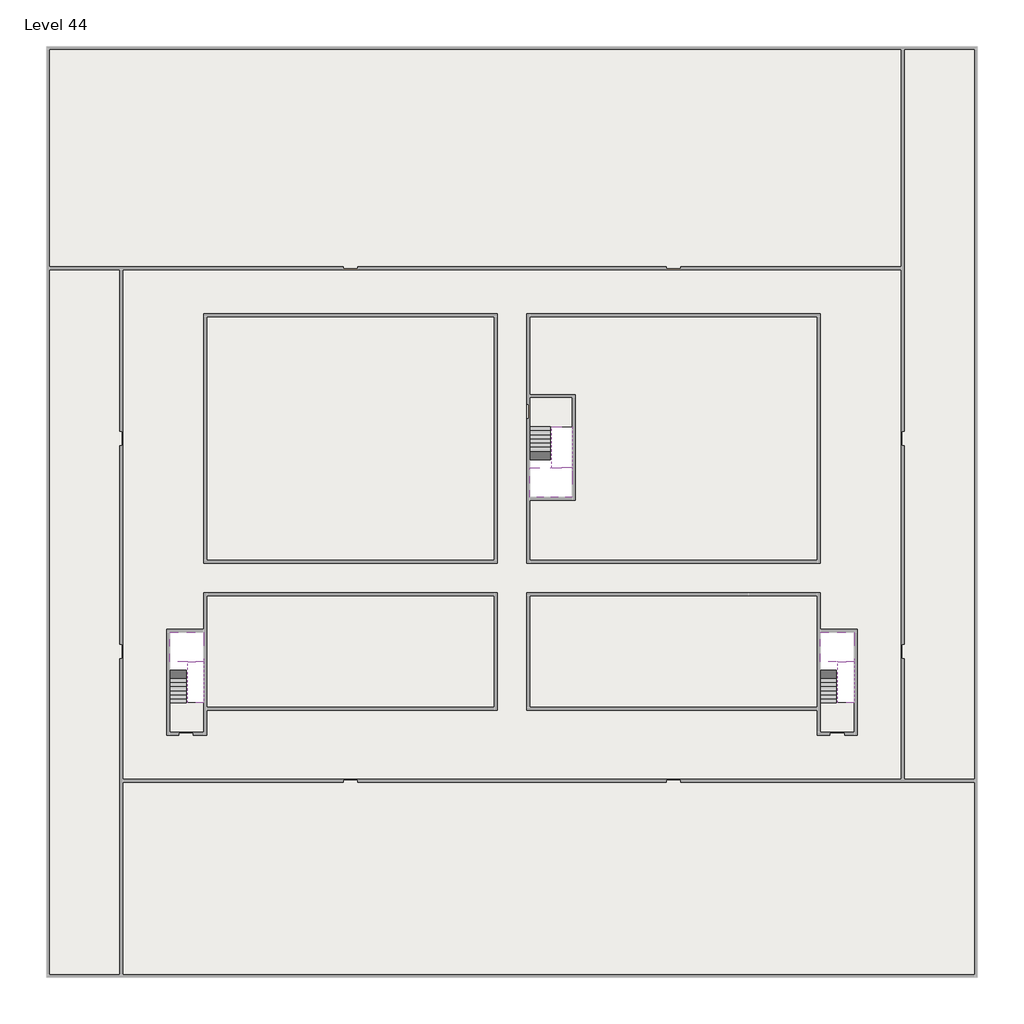
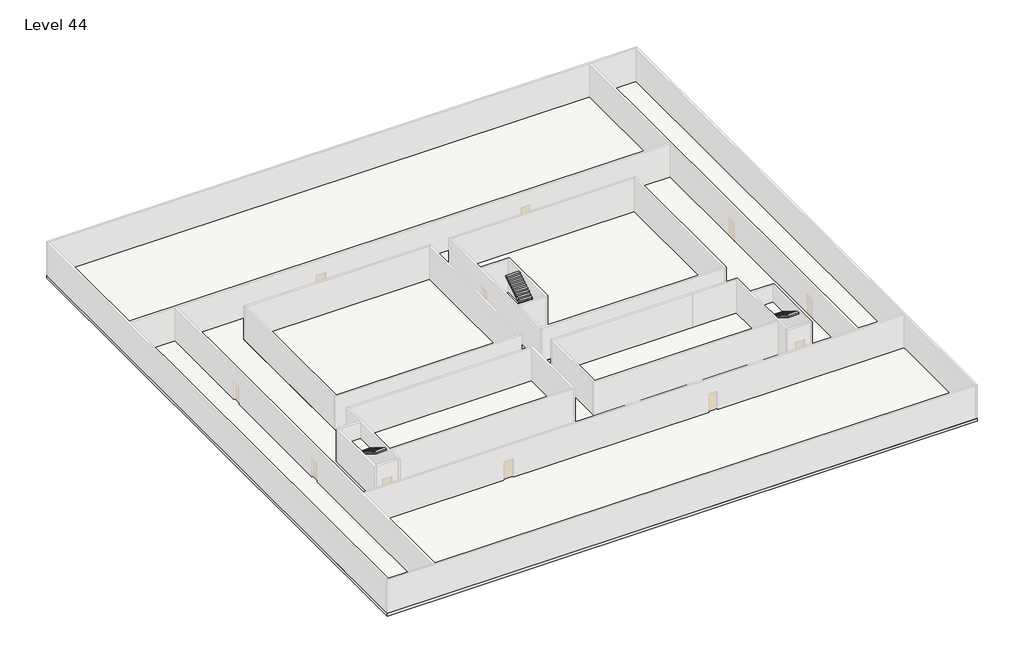
# One storey, part 2 of 2: 6 slabs, 6 stair flights.
"""IFC4 building model written with IfcOpenShell, lengths in millimetres."""

from ifc_helpers import new_model, si_unit, frame, origin, place, context, project, spatial, polyline, outline, extrude, faceted_brep, element, save

model = new_model("IFC4")

# Units and contexts
model_context = context("Model", 3, world=origin())
ifc_project = project(units=[si_unit("LENGTHUNIT", "METRE", prefix="MILLI")], contexts=[model_context])

# Site, building, storey
site = spatial("IfcSite", under=ifc_project)
building = spatial("IfcBuilding", under=site)
storey = spatial("IfcBuildingStorey", under=building, Name="Level 44", Elevation=163400.0)

# Slabs
placement = place(None, origin())
element("IfcSlab", 1, at=placement, inside=storey, context=model_context, shape_type="SweptSolid", body=[
    extrude(outline(polyline([(55890.1058784, -5518.09644), (55890.1058784, -68918.09644), (-7509.8941216, -68918.09644), (-7509.8941216, -5518.09644), (55890.1058784, -5518.09644)]), holes=[polyline([(23190.1058784, -23718.09644), (3190.1058784, -23718.09644), (3190.1058784, -40718.09644), (23190.1058784, -40718.09644), (23190.1058784, -23718.09644)]), polyline([(45190.1058784, -23718.09644), (25190.1058784, -23718.09644), (25190.1058784, -40718.09644), (45190.1058784, -40718.09644), (45190.1058784, -23718.09644)]), polyline([(23190.1058784, -42718.09644), (3390.1058784, -42718.09644), (3390.1058784, -45418.09644), (890.1058784, -45418.09644), (890.1058784, -52218.09644), (3190.1058784, -52218.09644), (3190.1058784, -50718.09644), (23190.1058784, -50718.09644), (23190.1058784, -42718.09644)]), polyline([(44990.1058784, -42718.09644), (25190.1058784, -42718.09644), (25190.1058784, -50718.09644), (45190.1058784, -50718.09644), (45190.1058784, -52218.09644), (47490.1058784, -52218.09644), (47490.1058784, -45418.09644), (44990.1058784, -45418.09644), (44990.1058784, -42718.09644)])]), frame((0.0, 0.0, 163100.0), z_axis=(0.0, 0.0, 1.0), x_axis=(1.0, 0.0, 0.0)), (0.0, 0.0, 1.0), 300.0),
])
element("IfcSlab", 2, at=placement, inside=storey, context=model_context, shape_type="Brep", body=[
    faceted_brep([(26790.1058784, -34218.09644, 165300.0), (25390.1058784, -34218.09644, 165300.0), (25390.1058784, -34297.4828763, 165300.0), (25390.1058784, -36218.09644, 165300.0), (28290.1058784, -36218.09644, 165300.0), (28290.1058784, -34418.7100038, 165300.0), (28290.1058784, -34218.09644, 165300.0), (26890.1058784, -34218.09644, 165300.0), (26790.1058784, -34218.09644, 165000.0), (26790.1058784, -34218.09644, 164951.0278478), (25390.1058784, -34218.09644, 164951.0278478), (25390.1058784, -34218.09644, 165127.2727273), (25390.1058784, -34297.4828763, 165000.0), (25390.1058784, -36218.09644, 165000.0), (28290.1058784, -36218.09644, 165000.0), (28290.1058784, -34418.7100038, 165000.0), (28290.1058784, -34218.09644, 165123.7551205), (26890.1058784, -34218.09644, 165123.7551205), (26890.1058784, -34218.09644, 165000.0), (26890.1058784, -34418.7100038, 165000.0), (26790.1058784, -34297.4828763, 165000.0)], [[[0, 1, 2, 3, 4, 5, 6, 7]], [[1, 0, 8, 9, 10, 11]], [[1, 11, 10, 12, 13, 3, 2]], [[4, 3, 13, 14]], [[4, 14, 15, 16, 6, 5]], [[7, 6, 16, 17]], [[0, 7, 17, 18, 8]], [[18, 19, 15, 14, 13, 12, 20, 8]], [[19, 18, 17]], [[20, 12, 10, 9]], [[8, 20, 9]], [[15, 19, 17, 16]]]),
])
element("IfcSlab", 3, at=placement, inside=storey, context=model_context, shape_type="Brep", body=[
    faceted_brep([(45190.1058784, -47418.09644, 165300.0), (46290.1058784, -47418.09644, 165300.0), (46390.1058784, -47418.09644, 165300.0), (47490.1058784, -47418.09644, 165300.0), (47490.1058784, -47217.4828763, 165300.0), (47490.1058784, -45418.09644, 165300.0), (45190.1058784, -45418.09644, 165300.0), (45190.1058784, -47338.7100038, 165300.0), (45190.1058784, -47418.09644, 165127.2727273), (45190.1058784, -47418.09644, 164951.0278478), (46290.1058784, -47418.09644, 164951.0278478), (46290.1058784, -47418.09644, 165000.0), (46390.1058784, -47418.09644, 165000.0), (46390.1058784, -47418.09644, 165123.7551205), (47490.1058784, -47418.09644, 165123.7551205), (47490.1058784, -47217.4828763, 165000.0), (47490.1058784, -45418.09644, 165000.0), (45190.1058784, -45418.09644, 165000.0), (45190.1058784, -47338.7100038, 165000.0), (46390.1058784, -47217.4828763, 165000.0), (46290.1058784, -47338.7100038, 165000.0)], [[[0, 1, 2, 3, 4, 5, 6, 7]], [[1, 0, 8, 9, 10, 11]], [[2, 1, 11, 12, 13]], [[3, 2, 13, 14]], [[3, 14, 15, 16, 5, 4]], [[6, 5, 16, 17]], [[9, 8, 0, 7, 6, 17, 18]], [[19, 12, 11, 20, 18, 17, 16, 15]], [[12, 19, 13]], [[18, 20, 10, 9]], [[20, 11, 10]], [[19, 15, 14, 13]]]),
])
element("IfcSlab", 4, at=placement, inside=storey, context=model_context, shape_type="Brep", body=[
    faceted_brep([(890.1058784, -47418.09644, 165300.0), (1990.1058784, -47418.09644, 165300.0), (2090.1058784, -47418.09644, 165300.0), (3190.1058784, -47418.09644, 165300.0), (3190.1058784, -47217.4828763, 165300.0), (3190.1058784, -45418.09644, 165300.0), (890.1058784, -45418.09644, 165300.0), (890.1058784, -47338.7100038, 165300.0), (890.1058784, -47418.09644, 165127.2727273), (890.1058784, -47418.09644, 164951.0278478), (1990.1058784, -47418.09644, 164951.0278478), (1990.1058784, -47418.09644, 165000.0), (2090.1058784, -47418.09644, 165000.0), (2090.1058784, -47418.09644, 165123.7551205), (3190.1058784, -47418.09644, 165123.7551205), (3190.1058784, -47217.4828763, 165000.0), (3190.1058784, -45418.09644, 165000.0), (890.1058784, -45418.09644, 165000.0), (890.1058784, -47338.7100038, 165000.0), (2090.1058784, -47217.4828763, 165000.0), (1990.1058784, -47338.7100038, 165000.0)], [[[0, 1, 2, 3, 4, 5, 6, 7]], [[1, 0, 8, 9, 10, 11]], [[2, 1, 11, 12, 13]], [[3, 2, 13, 14]], [[3, 14, 15, 16, 5, 4]], [[6, 5, 16, 17]], [[9, 8, 0, 7, 6, 17, 18]], [[19, 12, 11, 20, 18, 17, 16, 15]], [[12, 19, 13]], [[18, 20, 10, 9]], [[20, 11, 10]], [[19, 15, 14, 13]]]),
])
element("IfcSlab", 5, at=placement, inside=storey, context=model_context, shape_type="SweptSolid", body=[
    extrude(outline(polyline([(22990.1058784, -23918.09644), (22990.1058784, -40518.09644), (3390.1058784, -40518.09644), (3390.1058784, -23918.09644), (22990.1058784, -23918.09644)])), frame((0.0, 0.0, 163100.0), z_axis=(0.0, 0.0, 1.0), x_axis=(1.0, 0.0, 0.0)), (0.0, 0.0, 1.0), 300.0),
    extrude(outline(polyline([(44990.1058784, -23918.09644), (44990.1058784, -40518.09644), (25390.1058784, -40518.09644), (25390.1058784, -36418.09644), (28490.1058784, -36418.09644), (28490.1058784, -29218.09644), (25390.1058784, -29218.09644), (25390.1058784, -23918.09644), (44990.1058784, -23918.09644)])), frame((0.0, 0.0, 163100.0), z_axis=(0.0, 0.0, 1.0), x_axis=(1.0, 0.0, 0.0)), (0.0, 0.0, 1.0), 300.0),
    extrude(outline(polyline([(22990.1058784, -42918.09644), (22990.1058784, -50518.09644), (3390.1058784, -50518.09644), (3390.1058784, -42918.09644), (22990.1058784, -42918.09644)])), frame((0.0, 0.0, 163100.0), z_axis=(0.0, 0.0, 1.0), x_axis=(1.0, 0.0, 0.0)), (0.0, 0.0, 1.0), 300.0),
    extrude(outline(polyline([(44990.1058784, -42918.09644), (44990.1058784, -50518.09644), (25390.1058784, -50518.09644), (25390.1058784, -42918.09644), (44990.1058784, -42918.09644)])), frame((0.0, 0.0, 163100.0), z_axis=(0.0, 0.0, 1.0), x_axis=(1.0, 0.0, 0.0)), (0.0, 0.0, 1.0), 300.0),
])
element("IfcSlab", 6, at=placement, inside=storey, context=model_context, shape_type="SweptSolid", body=[
    extrude(outline(polyline([(28290.1058784, -29418.09644), (28290.1058784, -31418.09644), (25190.1058784, -31418.09644), (25190.1058784, -29418.09644), (28290.1058784, -29418.09644)])), frame((0.0, 0.0, 163100.0), z_axis=(0.0, 0.0, 1.0), x_axis=(1.0, 0.0, 0.0)), (0.0, 0.0, 1.0), 300.0),
    extrude(outline(polyline([(3190.1058784, -50218.09644), (3190.1058784, -52218.09644), (890.1058784, -52218.09644), (890.1058784, -50218.09644), (3190.1058784, -50218.09644)])), frame((0.0, 0.0, 163100.0), z_axis=(0.0, 0.0, 1.0), x_axis=(1.0, 0.0, 0.0)), (0.0, 0.0, 1.0), 300.0),
    extrude(outline(polyline([(47490.1058784, -50218.09644), (47490.1058784, -52218.09644), (45190.1058784, -52218.09644), (45190.1058784, -50218.09644), (47490.1058784, -50218.09644)])), frame((0.0, 0.0, 163100.0), z_axis=(0.0, 0.0, 1.0), x_axis=(1.0, 0.0, 0.0)), (0.0, 0.0, 1.0), 300.0),
])

# Stair flights
element("IfcStairFlight", 7, at=placement, inside=storey, context=model_context, shape_type="Brep", body=[
    faceted_brep([(26790.1058784, -31698.09644, 163572.7272727), (26790.1058784, -31418.09644, 163572.7272727), (25390.1058784, -31418.09644, 163572.7272727), (25390.1058784, -31698.09644, 163572.7272727), (26790.1058784, -31698.09644, 163400.0), (26790.1058784, -31418.09644, 163400.0), (25390.1058784, -31418.09644, 163400.0), (25390.1058784, -31698.09644, 163400.0), (26790.1058784, -31978.09644, 163745.4545455), (26790.1058784, -31698.09644, 163745.4545455), (25390.1058784, -31698.09644, 163745.4545455), (25390.1058784, -31978.09644, 163745.4545455), (26790.1058784, -31978.09644, 163569.209666), (26790.1058784, -31703.7986657, 163400.0), (25390.1058784, -31703.7986657, 163400.0), (25390.1058784, -31978.09644, 163569.209666), (26790.1058784, -32258.09644, 163918.1818182), (26790.1058784, -31978.09644, 163918.1818182), (25390.1058784, -31978.09644, 163918.1818182), (25390.1058784, -32258.09644, 163918.1818182), (26790.1058784, -32258.09644, 163741.9369387), (25390.1058784, -32258.09644, 163741.9369387), (26790.1058784, -32538.09644, 164090.9090909), (26790.1058784, -32258.09644, 164090.9090909), (25390.1058784, -32258.09644, 164090.9090909), (25390.1058784, -32538.09644, 164090.9090909), (26790.1058784, -32538.09644, 163914.6642114), (25390.1058784, -32538.09644, 163914.6642114), (26790.1058784, -32818.09644, 164263.6363636), (26790.1058784, -32538.09644, 164263.6363636), (25390.1058784, -32538.09644, 164263.6363636), (25390.1058784, -32818.09644, 164263.6363636), (26790.1058784, -32818.09644, 164087.3914841), (25390.1058784, -32818.09644, 164087.3914841), (26790.1058784, -33098.09644, 164436.3636364), (26790.1058784, -32818.09644, 164436.3636364), (25390.1058784, -32818.09644, 164436.3636364), (25390.1058784, -33098.09644, 164436.3636364), (26790.1058784, -33098.09644, 164260.1187569), (25390.1058784, -33098.09644, 164260.1187569), (26790.1058784, -33378.09644, 164609.0909091), (26790.1058784, -33098.09644, 164609.0909091), (25390.1058784, -33098.09644, 164609.0909091), (25390.1058784, -33378.09644, 164609.0909091), (26790.1058784, -33378.09644, 164432.8460296), (25390.1058784, -33378.09644, 164432.8460296), (26790.1058784, -33658.09644, 164781.8181818), (26790.1058784, -33378.09644, 164781.8181818), (25390.1058784, -33378.09644, 164781.8181818), (25390.1058784, -33658.09644, 164781.8181818), (26790.1058784, -33658.09644, 164605.5733023), (25390.1058784, -33658.09644, 164605.5733023), (26790.1058784, -33938.09644, 164954.5454545), (26790.1058784, -33658.09644, 164954.5454545), (25390.1058784, -33658.09644, 164954.5454545), (25390.1058784, -33938.09644, 164954.5454545), (26790.1058784, -33938.09644, 164778.3005751), (25390.1058784, -33938.09644, 164778.3005751), (26790.1058784, -34218.09644, 165127.2727273), (26790.1058784, -33938.09644, 165127.2727273), (25390.1058784, -33938.09644, 165127.2727273), (25390.1058784, -34218.09644, 165127.2727273), (26790.1058784, -34218.09644, 165000.0), (26790.1058784, -34218.09644, 164951.0278478), (25390.1058784, -34218.09644, 164951.0278478)], [[[0, 1, 2, 3]], [[1, 0, 4, 5]], [[2, 1, 5, 6]], [[3, 2, 6, 7]], [[8, 9, 10, 11]], [[4, 0, 9, 8, 12, 13]], [[0, 3, 10, 9]], [[3, 7, 14, 15, 11, 10]], [[16, 17, 18, 19]], [[17, 16, 20, 12, 8]], [[8, 11, 18, 17]], [[19, 18, 11, 15, 21]], [[22, 23, 24, 25]], [[23, 22, 26, 20, 16]], [[16, 19, 24, 23]], [[25, 24, 19, 21, 27]], [[28, 29, 30, 31]], [[29, 28, 32, 26, 22]], [[22, 25, 30, 29]], [[31, 30, 25, 27, 33]], [[34, 35, 36, 37]], [[35, 34, 38, 32, 28]], [[28, 31, 36, 35]], [[37, 36, 31, 33, 39]], [[40, 41, 42, 43]], [[41, 40, 44, 38, 34]], [[34, 37, 42, 41]], [[43, 42, 37, 39, 45]], [[46, 47, 48, 49]], [[47, 46, 50, 44, 40]], [[40, 43, 48, 47]], [[49, 48, 43, 45, 51]], [[52, 53, 54, 55]], [[53, 52, 56, 50, 46]], [[46, 49, 54, 53]], [[55, 54, 49, 51, 57]], [[58, 59, 60, 61]], [[59, 58, 62, 63, 56, 52]], [[52, 55, 60, 59]], [[61, 60, 55, 57, 64]], [[58, 61, 64, 63, 62]], [[5, 4, 13, 14, 7, 6]], [[14, 13, 12, 20, 26, 32, 38, 44, 50, 56, 63, 64, 57, 51, 45, 39, 33, 27, 21, 15]]]),
])
element("IfcStairFlight", 8, at=placement, inside=storey, context=model_context, shape_type="Brep", body=[
    faceted_brep([(26890.1058784, -33938.09644, 165472.7272727), (26890.1058784, -34218.09644, 165472.7272727), (28290.1058784, -34218.09644, 165472.7272727), (28290.1058784, -33938.09644, 165472.7272727), (26890.1058784, -33938.09644, 165296.4823932), (26890.1058784, -34218.09644, 165123.7551205), (28290.1058784, -34218.09644, 165123.7551205), (28290.1058784, -34218.09644, 165300.0), (28290.1058784, -33938.09644, 165296.4823932), (26890.1058784, -33658.09644, 165645.4545455), (26890.1058784, -33938.09644, 165645.4545455), (28290.1058784, -33938.09644, 165645.4545455), (28290.1058784, -33658.09644, 165645.4545455), (26890.1058784, -33658.09644, 165469.209666), (28290.1058784, -33658.09644, 165469.209666), (26890.1058784, -33378.09644, 165818.1818182), (26890.1058784, -33658.09644, 165818.1818182), (28290.1058784, -33658.09644, 165818.1818182), (28290.1058784, -33378.09644, 165818.1818182), (26890.1058784, -33378.09644, 165641.9369387), (28290.1058784, -33378.09644, 165641.9369387), (26890.1058784, -33098.09644, 165990.9090909), (26890.1058784, -33378.09644, 165990.9090909), (28290.1058784, -33378.09644, 165990.9090909), (28290.1058784, -33098.09644, 165990.9090909), (26890.1058784, -33098.09644, 165814.6642114), (28290.1058784, -33098.09644, 165814.6642114), (26890.1058784, -32818.09644, 166163.6363636), (26890.1058784, -33098.09644, 166163.6363636), (28290.1058784, -33098.09644, 166163.6363636), (28290.1058784, -32818.09644, 166163.6363636), (26890.1058784, -32818.09644, 165987.3914841), (28290.1058784, -32818.09644, 165987.3914841), (26890.1058784, -32538.09644, 166336.3636364), (26890.1058784, -32818.09644, 166336.3636364), (28290.1058784, -32818.09644, 166336.3636364), (28290.1058784, -32538.09644, 166336.3636364), (26890.1058784, -32538.09644, 166160.1187569), (28290.1058784, -32538.09644, 166160.1187569), (26890.1058784, -32258.09644, 166509.0909091), (26890.1058784, -32538.09644, 166509.0909091), (28290.1058784, -32538.09644, 166509.0909091), (28290.1058784, -32258.09644, 166509.0909091), (26890.1058784, -32258.09644, 166332.8460296), (28290.1058784, -32258.09644, 166332.8460296), (26890.1058784, -31978.09644, 166681.8181818), (26890.1058784, -32258.09644, 166681.8181818), (28290.1058784, -32258.09644, 166681.8181818), (28290.1058784, -31978.09644, 166681.8181818), (26890.1058784, -31978.09644, 166505.5733023), (28290.1058784, -31978.09644, 166505.5733023), (26890.1058784, -31698.09644, 166854.5454545), (26890.1058784, -31978.09644, 166854.5454545), (28290.1058784, -31978.09644, 166854.5454545), (28290.1058784, -31698.09644, 166854.5454545), (26890.1058784, -31698.09644, 166678.3005751), (28290.1058784, -31698.09644, 166678.3005751), (26890.1058784, -31418.09644, 167027.2727273), (26890.1058784, -31698.09644, 167027.2727273), (28290.1058784, -31698.09644, 167027.2727273), (28290.1058784, -31418.09644, 167027.2727273), (26890.1058784, -31418.09644, 166851.0278478), (28290.1058784, -31418.09644, 166851.0278478)], [[[0, 1, 2, 3]], [[1, 0, 4, 5]], [[2, 1, 5, 6, 7]], [[3, 2, 7, 6, 8]], [[9, 10, 11, 12]], [[10, 9, 13, 4, 0]], [[11, 10, 0, 3]], [[12, 11, 3, 8, 14]], [[15, 16, 17, 18]], [[16, 15, 19, 13, 9]], [[17, 16, 9, 12]], [[18, 17, 12, 14, 20]], [[21, 22, 23, 24]], [[22, 21, 25, 19, 15]], [[23, 22, 15, 18]], [[24, 23, 18, 20, 26]], [[27, 28, 29, 30]], [[28, 27, 31, 25, 21]], [[29, 28, 21, 24]], [[30, 29, 24, 26, 32]], [[33, 34, 35, 36]], [[34, 33, 37, 31, 27]], [[35, 34, 27, 30]], [[36, 35, 30, 32, 38]], [[39, 40, 41, 42]], [[40, 39, 43, 37, 33]], [[41, 40, 33, 36]], [[42, 41, 36, 38, 44]], [[45, 46, 47, 48]], [[46, 45, 49, 43, 39]], [[47, 46, 39, 42]], [[48, 47, 42, 44, 50]], [[51, 52, 53, 54]], [[52, 51, 55, 49, 45]], [[53, 52, 45, 48]], [[54, 53, 48, 50, 56]], [[57, 58, 59, 60]], [[58, 57, 61, 55, 51]], [[59, 58, 51, 54]], [[60, 59, 54, 56, 62]], [[57, 60, 62, 61]], [[5, 4, 13, 19, 25, 31, 37, 43, 49, 55, 61, 62, 56, 50, 44, 38, 32, 26, 20, 14, 8, 6]]]),
])
element("IfcStairFlight", 9, at=placement, inside=storey, context=model_context, shape_type="Brep", body=[
    faceted_brep([(45190.1058784, -49938.09644, 163572.7272727), (45190.1058784, -50218.09644, 163572.7272727), (46290.1058784, -50218.09644, 163572.7272727), (46290.1058784, -49938.09644, 163572.7272727), (45190.1058784, -49938.09644, 163400.0), (45190.1058784, -50218.09644, 163400.0), (46290.1058784, -50218.09644, 163400.0), (46290.1058784, -49938.09644, 163400.0), (45190.1058784, -49658.09644, 163745.4545455), (45190.1058784, -49938.09644, 163745.4545455), (46290.1058784, -49938.09644, 163745.4545455), (46290.1058784, -49658.09644, 163745.4545455), (45190.1058784, -49658.09644, 163569.209666), (45190.1058784, -49932.3942143, 163400.0), (46290.1058784, -49932.3942143, 163400.0), (46290.1058784, -49658.09644, 163569.209666), (45190.1058784, -49378.09644, 163918.1818182), (45190.1058784, -49658.09644, 163918.1818182), (46290.1058784, -49658.09644, 163918.1818182), (46290.1058784, -49378.09644, 163918.1818182), (45190.1058784, -49378.09644, 163741.9369387), (46290.1058784, -49378.09644, 163741.9369387), (45190.1058784, -49098.09644, 164090.9090909), (45190.1058784, -49378.09644, 164090.9090909), (46290.1058784, -49378.09644, 164090.9090909), (46290.1058784, -49098.09644, 164090.9090909), (45190.1058784, -49098.09644, 163914.6642114), (46290.1058784, -49098.09644, 163914.6642114), (45190.1058784, -48818.09644, 164263.6363636), (45190.1058784, -49098.09644, 164263.6363636), (46290.1058784, -49098.09644, 164263.6363636), (46290.1058784, -48818.09644, 164263.6363636), (45190.1058784, -48818.09644, 164087.3914841), (46290.1058784, -48818.09644, 164087.3914841), (45190.1058784, -48538.09644, 164436.3636364), (45190.1058784, -48818.09644, 164436.3636364), (46290.1058784, -48818.09644, 164436.3636364), (46290.1058784, -48538.09644, 164436.3636364), (45190.1058784, -48538.09644, 164260.1187569), (46290.1058784, -48538.09644, 164260.1187569), (45190.1058784, -48258.09644, 164609.0909091), (45190.1058784, -48538.09644, 164609.0909091), (46290.1058784, -48538.09644, 164609.0909091), (46290.1058784, -48258.09644, 164609.0909091), (45190.1058784, -48258.09644, 164432.8460296), (46290.1058784, -48258.09644, 164432.8460296), (45190.1058784, -47978.09644, 164781.8181818), (45190.1058784, -48258.09644, 164781.8181818), (46290.1058784, -48258.09644, 164781.8181818), (46290.1058784, -47978.09644, 164781.8181818), (45190.1058784, -47978.09644, 164605.5733023), (46290.1058784, -47978.09644, 164605.5733023), (45190.1058784, -47698.09644, 164954.5454545), (45190.1058784, -47978.09644, 164954.5454545), (46290.1058784, -47978.09644, 164954.5454545), (46290.1058784, -47698.09644, 164954.5454545), (45190.1058784, -47698.09644, 164778.3005751), (46290.1058784, -47698.09644, 164778.3005751), (45190.1058784, -47418.09644, 165127.2727273), (45190.1058784, -47698.09644, 165127.2727273), (46290.1058784, -47698.09644, 165127.2727273), (46290.1058784, -47418.09644, 165127.2727273), (45190.1058784, -47418.09644, 164951.0278478), (46290.1058784, -47418.09644, 164951.0278478), (46290.1058784, -47418.09644, 165000.0)], [[[0, 1, 2, 3]], [[1, 0, 4, 5]], [[2, 1, 5, 6]], [[3, 2, 6, 7]], [[8, 9, 10, 11]], [[4, 0, 9, 8, 12, 13]], [[0, 3, 10, 9]], [[3, 7, 14, 15, 11, 10]], [[16, 17, 18, 19]], [[17, 16, 20, 12, 8]], [[8, 11, 18, 17]], [[19, 18, 11, 15, 21]], [[22, 23, 24, 25]], [[23, 22, 26, 20, 16]], [[16, 19, 24, 23]], [[25, 24, 19, 21, 27]], [[28, 29, 30, 31]], [[29, 28, 32, 26, 22]], [[22, 25, 30, 29]], [[31, 30, 25, 27, 33]], [[34, 35, 36, 37]], [[35, 34, 38, 32, 28]], [[28, 31, 36, 35]], [[37, 36, 31, 33, 39]], [[40, 41, 42, 43]], [[41, 40, 44, 38, 34]], [[34, 37, 42, 41]], [[43, 42, 37, 39, 45]], [[46, 47, 48, 49]], [[47, 46, 50, 44, 40]], [[40, 43, 48, 47]], [[49, 48, 43, 45, 51]], [[52, 53, 54, 55]], [[53, 52, 56, 50, 46]], [[46, 49, 54, 53]], [[55, 54, 49, 51, 57]], [[58, 59, 60, 61]], [[59, 58, 62, 56, 52]], [[52, 55, 60, 59]], [[61, 60, 55, 57, 63, 64]], [[58, 61, 64, 63, 62]], [[5, 4, 13, 14, 7, 6]], [[14, 13, 12, 20, 26, 32, 38, 44, 50, 56, 62, 63, 57, 51, 45, 39, 33, 27, 21, 15]]]),
])
element("IfcStairFlight", 10, at=placement, inside=storey, context=model_context, shape_type="Brep", body=[
    faceted_brep([(47490.1058784, -47698.09644, 165472.7272727), (47490.1058784, -47418.09644, 165472.7272727), (46390.1058784, -47418.09644, 165472.7272727), (46390.1058784, -47698.09644, 165472.7272727), (47490.1058784, -47698.09644, 165296.4823932), (47490.1058784, -47418.09644, 165123.7551205), (47490.1058784, -47418.09644, 165300.0), (46390.1058784, -47418.09644, 165123.7551205), (46390.1058784, -47698.09644, 165296.4823932), (47490.1058784, -47978.09644, 165645.4545455), (47490.1058784, -47698.09644, 165645.4545455), (46390.1058784, -47698.09644, 165645.4545455), (46390.1058784, -47978.09644, 165645.4545455), (47490.1058784, -47978.09644, 165469.209666), (46390.1058784, -47978.09644, 165469.209666), (47490.1058784, -48258.09644, 165818.1818182), (47490.1058784, -47978.09644, 165818.1818182), (46390.1058784, -47978.09644, 165818.1818182), (46390.1058784, -48258.09644, 165818.1818182), (47490.1058784, -48258.09644, 165641.9369387), (46390.1058784, -48258.09644, 165641.9369387), (47490.1058784, -48538.09644, 165990.9090909), (47490.1058784, -48258.09644, 165990.9090909), (46390.1058784, -48258.09644, 165990.9090909), (46390.1058784, -48538.09644, 165990.9090909), (47490.1058784, -48538.09644, 165814.6642114), (46390.1058784, -48538.09644, 165814.6642114), (47490.1058784, -48818.09644, 166163.6363636), (47490.1058784, -48538.09644, 166163.6363636), (46390.1058784, -48538.09644, 166163.6363636), (46390.1058784, -48818.09644, 166163.6363636), (47490.1058784, -48818.09644, 165987.3914841), (46390.1058784, -48818.09644, 165987.3914841), (47490.1058784, -49098.09644, 166336.3636364), (47490.1058784, -48818.09644, 166336.3636364), (46390.1058784, -48818.09644, 166336.3636364), (46390.1058784, -49098.09644, 166336.3636364), (47490.1058784, -49098.09644, 166160.1187569), (46390.1058784, -49098.09644, 166160.1187569), (47490.1058784, -49378.09644, 166509.0909091), (47490.1058784, -49098.09644, 166509.0909091), (46390.1058784, -49098.09644, 166509.0909091), (46390.1058784, -49378.09644, 166509.0909091), (47490.1058784, -49378.09644, 166332.8460296), (46390.1058784, -49378.09644, 166332.8460296), (47490.1058784, -49658.09644, 166681.8181818), (47490.1058784, -49378.09644, 166681.8181818), (46390.1058784, -49378.09644, 166681.8181818), (46390.1058784, -49658.09644, 166681.8181818), (47490.1058784, -49658.09644, 166505.5733023), (46390.1058784, -49658.09644, 166505.5733023), (47490.1058784, -49938.09644, 166854.5454545), (47490.1058784, -49658.09644, 166854.5454545), (46390.1058784, -49658.09644, 166854.5454545), (46390.1058784, -49938.09644, 166854.5454545), (47490.1058784, -49938.09644, 166678.3005751), (46390.1058784, -49938.09644, 166678.3005751), (47490.1058784, -50218.09644, 167027.2727273), (47490.1058784, -49938.09644, 167027.2727273), (46390.1058784, -49938.09644, 167027.2727273), (46390.1058784, -50218.09644, 167027.2727273), (47490.1058784, -50218.09644, 166851.0278478), (46390.1058784, -50218.09644, 166851.0278478)], [[[0, 1, 2, 3]], [[1, 0, 4, 5, 6]], [[2, 1, 6, 5, 7]], [[3, 2, 7, 8]], [[9, 10, 11, 12]], [[10, 9, 13, 4, 0]], [[11, 10, 0, 3]], [[12, 11, 3, 8, 14]], [[15, 16, 17, 18]], [[16, 15, 19, 13, 9]], [[17, 16, 9, 12]], [[18, 17, 12, 14, 20]], [[21, 22, 23, 24]], [[22, 21, 25, 19, 15]], [[23, 22, 15, 18]], [[24, 23, 18, 20, 26]], [[27, 28, 29, 30]], [[28, 27, 31, 25, 21]], [[29, 28, 21, 24]], [[30, 29, 24, 26, 32]], [[33, 34, 35, 36]], [[34, 33, 37, 31, 27]], [[35, 34, 27, 30]], [[36, 35, 30, 32, 38]], [[39, 40, 41, 42]], [[40, 39, 43, 37, 33]], [[41, 40, 33, 36]], [[42, 41, 36, 38, 44]], [[45, 46, 47, 48]], [[46, 45, 49, 43, 39]], [[47, 46, 39, 42]], [[48, 47, 42, 44, 50]], [[51, 52, 53, 54]], [[52, 51, 55, 49, 45]], [[53, 52, 45, 48]], [[54, 53, 48, 50, 56]], [[57, 58, 59, 60]], [[58, 57, 61, 55, 51]], [[59, 58, 51, 54]], [[60, 59, 54, 56, 62]], [[57, 60, 62, 61]], [[5, 4, 13, 19, 25, 31, 37, 43, 49, 55, 61, 62, 56, 50, 44, 38, 32, 26, 20, 14, 8, 7]]]),
])
element("IfcStairFlight", 11, at=placement, inside=storey, context=model_context, shape_type="Brep", body=[
    faceted_brep([(890.1058784, -49938.09644, 163572.7272727), (890.1058784, -50218.09644, 163572.7272727), (1990.1058784, -50218.09644, 163572.7272727), (1990.1058784, -49938.09644, 163572.7272727), (890.1058784, -49938.09644, 163400.0), (890.1058784, -50218.09644, 163400.0), (1990.1058784, -50218.09644, 163400.0), (1990.1058784, -49938.09644, 163400.0), (890.1058784, -49658.09644, 163745.4545455), (890.1058784, -49938.09644, 163745.4545455), (1990.1058784, -49938.09644, 163745.4545455), (1990.1058784, -49658.09644, 163745.4545455), (890.1058784, -49658.09644, 163569.209666), (890.1058784, -49932.3942143, 163400.0), (1990.1058784, -49932.3942143, 163400.0), (1990.1058784, -49658.09644, 163569.209666), (890.1058784, -49378.09644, 163918.1818182), (890.1058784, -49658.09644, 163918.1818182), (1990.1058784, -49658.09644, 163918.1818182), (1990.1058784, -49378.09644, 163918.1818182), (890.1058784, -49378.09644, 163741.9369387), (1990.1058784, -49378.09644, 163741.9369387), (890.1058784, -49098.09644, 164090.9090909), (890.1058784, -49378.09644, 164090.9090909), (1990.1058784, -49378.09644, 164090.9090909), (1990.1058784, -49098.09644, 164090.9090909), (890.1058784, -49098.09644, 163914.6642114), (1990.1058784, -49098.09644, 163914.6642114), (890.1058784, -48818.09644, 164263.6363636), (890.1058784, -49098.09644, 164263.6363636), (1990.1058784, -49098.09644, 164263.6363636), (1990.1058784, -48818.09644, 164263.6363636), (890.1058784, -48818.09644, 164087.3914841), (1990.1058784, -48818.09644, 164087.3914841), (890.1058784, -48538.09644, 164436.3636364), (890.1058784, -48818.09644, 164436.3636364), (1990.1058784, -48818.09644, 164436.3636364), (1990.1058784, -48538.09644, 164436.3636364), (890.1058784, -48538.09644, 164260.1187569), (1990.1058784, -48538.09644, 164260.1187569), (890.1058784, -48258.09644, 164609.0909091), (890.1058784, -48538.09644, 164609.0909091), (1990.1058784, -48538.09644, 164609.0909091), (1990.1058784, -48258.09644, 164609.0909091), (890.1058784, -48258.09644, 164432.8460296), (1990.1058784, -48258.09644, 164432.8460296), (890.1058784, -47978.09644, 164781.8181818), (890.1058784, -48258.09644, 164781.8181818), (1990.1058784, -48258.09644, 164781.8181818), (1990.1058784, -47978.09644, 164781.8181818), (890.1058784, -47978.09644, 164605.5733023), (1990.1058784, -47978.09644, 164605.5733023), (890.1058784, -47698.09644, 164954.5454545), (890.1058784, -47978.09644, 164954.5454545), (1990.1058784, -47978.09644, 164954.5454545), (1990.1058784, -47698.09644, 164954.5454545), (890.1058784, -47698.09644, 164778.3005751), (1990.1058784, -47698.09644, 164778.3005751), (890.1058784, -47418.09644, 165127.2727273), (890.1058784, -47698.09644, 165127.2727273), (1990.1058784, -47698.09644, 165127.2727273), (1990.1058784, -47418.09644, 165127.2727273), (890.1058784, -47418.09644, 164951.0278478), (1990.1058784, -47418.09644, 164951.0278478), (1990.1058784, -47418.09644, 165000.0)], [[[0, 1, 2, 3]], [[1, 0, 4, 5]], [[2, 1, 5, 6]], [[3, 2, 6, 7]], [[8, 9, 10, 11]], [[4, 0, 9, 8, 12, 13]], [[0, 3, 10, 9]], [[3, 7, 14, 15, 11, 10]], [[16, 17, 18, 19]], [[17, 16, 20, 12, 8]], [[8, 11, 18, 17]], [[19, 18, 11, 15, 21]], [[22, 23, 24, 25]], [[23, 22, 26, 20, 16]], [[16, 19, 24, 23]], [[25, 24, 19, 21, 27]], [[28, 29, 30, 31]], [[29, 28, 32, 26, 22]], [[22, 25, 30, 29]], [[31, 30, 25, 27, 33]], [[34, 35, 36, 37]], [[35, 34, 38, 32, 28]], [[28, 31, 36, 35]], [[37, 36, 31, 33, 39]], [[40, 41, 42, 43]], [[41, 40, 44, 38, 34]], [[34, 37, 42, 41]], [[43, 42, 37, 39, 45]], [[46, 47, 48, 49]], [[47, 46, 50, 44, 40]], [[40, 43, 48, 47]], [[49, 48, 43, 45, 51]], [[52, 53, 54, 55]], [[53, 52, 56, 50, 46]], [[46, 49, 54, 53]], [[55, 54, 49, 51, 57]], [[58, 59, 60, 61]], [[59, 58, 62, 56, 52]], [[52, 55, 60, 59]], [[61, 60, 55, 57, 63, 64]], [[58, 61, 64, 63, 62]], [[5, 4, 13, 14, 7, 6]], [[14, 13, 12, 20, 26, 32, 38, 44, 50, 56, 62, 63, 57, 51, 45, 39, 33, 27, 21, 15]]]),
])
element("IfcStairFlight", 12, at=placement, inside=storey, context=model_context, shape_type="Brep", body=[
    faceted_brep([(3190.1058784, -47698.09644, 165472.7272727), (3190.1058784, -47418.09644, 165472.7272727), (2090.1058784, -47418.09644, 165472.7272727), (2090.1058784, -47698.09644, 165472.7272727), (3190.1058784, -47698.09644, 165296.4823932), (3190.1058784, -47418.09644, 165123.7551205), (3190.1058784, -47418.09644, 165300.0), (2090.1058784, -47418.09644, 165123.7551205), (2090.1058784, -47698.09644, 165296.4823932), (3190.1058784, -47978.09644, 165645.4545455), (3190.1058784, -47698.09644, 165645.4545455), (2090.1058784, -47698.09644, 165645.4545455), (2090.1058784, -47978.09644, 165645.4545455), (3190.1058784, -47978.09644, 165469.209666), (2090.1058784, -47978.09644, 165469.209666), (3190.1058784, -48258.09644, 165818.1818182), (3190.1058784, -47978.09644, 165818.1818182), (2090.1058784, -47978.09644, 165818.1818182), (2090.1058784, -48258.09644, 165818.1818182), (3190.1058784, -48258.09644, 165641.9369387), (2090.1058784, -48258.09644, 165641.9369387), (3190.1058784, -48538.09644, 165990.9090909), (3190.1058784, -48258.09644, 165990.9090909), (2090.1058784, -48258.09644, 165990.9090909), (2090.1058784, -48538.09644, 165990.9090909), (3190.1058784, -48538.09644, 165814.6642114), (2090.1058784, -48538.09644, 165814.6642114), (3190.1058784, -48818.09644, 166163.6363636), (3190.1058784, -48538.09644, 166163.6363636), (2090.1058784, -48538.09644, 166163.6363636), (2090.1058784, -48818.09644, 166163.6363636), (3190.1058784, -48818.09644, 165987.3914841), (2090.1058784, -48818.09644, 165987.3914841), (3190.1058784, -49098.09644, 166336.3636364), (3190.1058784, -48818.09644, 166336.3636364), (2090.1058784, -48818.09644, 166336.3636364), (2090.1058784, -49098.09644, 166336.3636364), (3190.1058784, -49098.09644, 166160.1187569), (2090.1058784, -49098.09644, 166160.1187569), (3190.1058784, -49378.09644, 166509.0909091), (3190.1058784, -49098.09644, 166509.0909091), (2090.1058784, -49098.09644, 166509.0909091), (2090.1058784, -49378.09644, 166509.0909091), (3190.1058784, -49378.09644, 166332.8460296), (2090.1058784, -49378.09644, 166332.8460296), (3190.1058784, -49658.09644, 166681.8181818), (3190.1058784, -49378.09644, 166681.8181818), (2090.1058784, -49378.09644, 166681.8181818), (2090.1058784, -49658.09644, 166681.8181818), (3190.1058784, -49658.09644, 166505.5733023), (2090.1058784, -49658.09644, 166505.5733023), (3190.1058784, -49938.09644, 166854.5454545), (3190.1058784, -49658.09644, 166854.5454545), (2090.1058784, -49658.09644, 166854.5454545), (2090.1058784, -49938.09644, 166854.5454545), (3190.1058784, -49938.09644, 166678.3005751), (2090.1058784, -49938.09644, 166678.3005751), (3190.1058784, -50218.09644, 167027.2727273), (3190.1058784, -49938.09644, 167027.2727273), (2090.1058784, -49938.09644, 167027.2727273), (2090.1058784, -50218.09644, 167027.2727273), (3190.1058784, -50218.09644, 166851.0278478), (2090.1058784, -50218.09644, 166851.0278478)], [[[0, 1, 2, 3]], [[1, 0, 4, 5, 6]], [[2, 1, 6, 5, 7]], [[3, 2, 7, 8]], [[9, 10, 11, 12]], [[10, 9, 13, 4, 0]], [[11, 10, 0, 3]], [[12, 11, 3, 8, 14]], [[15, 16, 17, 18]], [[16, 15, 19, 13, 9]], [[17, 16, 9, 12]], [[18, 17, 12, 14, 20]], [[21, 22, 23, 24]], [[22, 21, 25, 19, 15]], [[23, 22, 15, 18]], [[24, 23, 18, 20, 26]], [[27, 28, 29, 30]], [[28, 27, 31, 25, 21]], [[29, 28, 21, 24]], [[30, 29, 24, 26, 32]], [[33, 34, 35, 36]], [[34, 33, 37, 31, 27]], [[35, 34, 27, 30]], [[36, 35, 30, 32, 38]], [[39, 40, 41, 42]], [[40, 39, 43, 37, 33]], [[41, 40, 33, 36]], [[42, 41, 36, 38, 44]], [[45, 46, 47, 48]], [[46, 45, 49, 43, 39]], [[47, 46, 39, 42]], [[48, 47, 42, 44, 50]], [[51, 52, 53, 54]], [[52, 51, 55, 49, 45]], [[53, 52, 45, 48]], [[54, 53, 48, 50, 56]], [[57, 58, 59, 60]], [[58, 57, 61, 55, 51]], [[59, 58, 51, 54]], [[60, 59, 54, 56, 62]], [[57, 60, 62, 61]], [[5, 4, 13, 19, 25, 31, 37, 43, 49, 55, 61, 62, 56, 50, 44, 38, 32, 26, 20, 14, 8, 7]]]),
])

save(model, "model.ifc")
